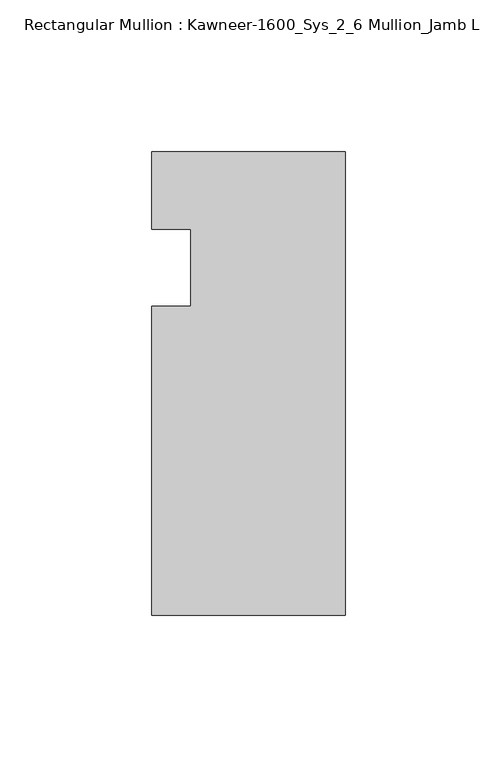
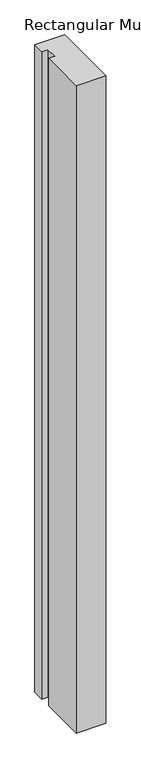
"""IFC4 building model written with IfcOpenShell, lengths in millimetres: member geometry, Rectangular Mullion : Kawneer-1600_Sys_2_6 Mullion_Jamb L."""

from ifc_helpers import new_model, si_unit, frame, origin, place, context, project, spatial, polyline, outline, extrude, source, transform, mapped, element, save


def rectangular_mullion_kawneer_1600_sys_2_6_mullion_jamb_l_1a0ed977(model_context):
    return source(origin(), model_context, "Body", "SweptSolid", [
        extrude(outline(polyline([(-63.5, -114.3), (-63.5, -12.7), (-50.7982296, -12.7), (-50.7982296, 12.7), (-63.5, 12.7), (-63.5, 38.1), (0.0, 38.1), (0.0, -114.3), (-63.5, -114.3)])), frame((0.0, 0.0, -1463.04), z_axis=(0.0, 0.0, 1.0), x_axis=(1.0, 0.0, 0.0)), (0.0, 0.0, 1.0), 1463.04),
    ])


if __name__ == "__main__":
    model = new_model("IFC4")
    model_context = context("Model", 3, world=origin())
    ifc_project = project(units=[si_unit("LENGTHUNIT", "METRE", prefix="MILLI")], contexts=[model_context])
    site = spatial("IfcSite", under=ifc_project)
    building = spatial("IfcBuilding", under=site)
    placement = place(None, origin())
    rectangular_mullion_kawneer_1600_sys_2_6_mullion_jamb_l_shape = rectangular_mullion_kawneer_1600_sys_2_6_mullion_jamb_l_1a0ed977(model_context)
    element("IfcMember", 1, ObjectType="Rectangular Mullion : Kawneer-1600_Sys_2_6 Mullion_Jamb L", at=placement, inside=building, context=model_context, shape_type="MappedRepresentation", body=[
        mapped(rectangular_mullion_kawneer_1600_sys_2_6_mullion_jamb_l_shape, transform((0.0, 0.0, 0.0), x_axis=(1.0, 0.0, 0.0), y_axis=(0.0, 1.0, 0.0), z_axis=(0.0, 0.0, 1.0))),
    ])
    save(model, "model.ifc")
